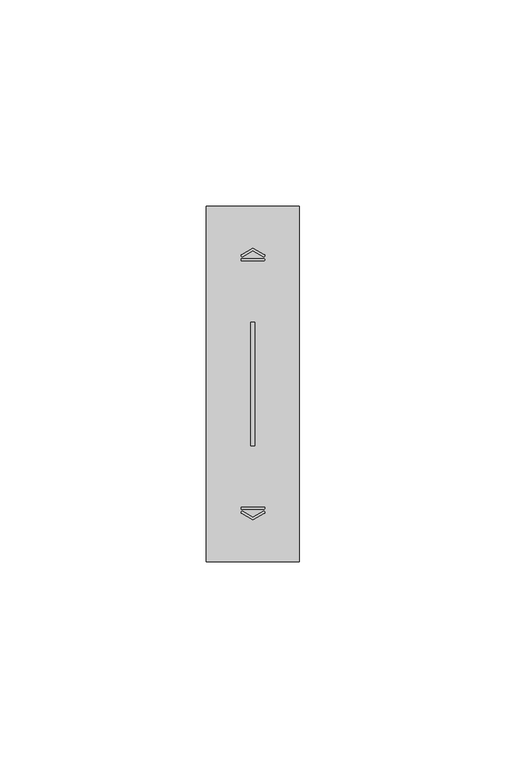
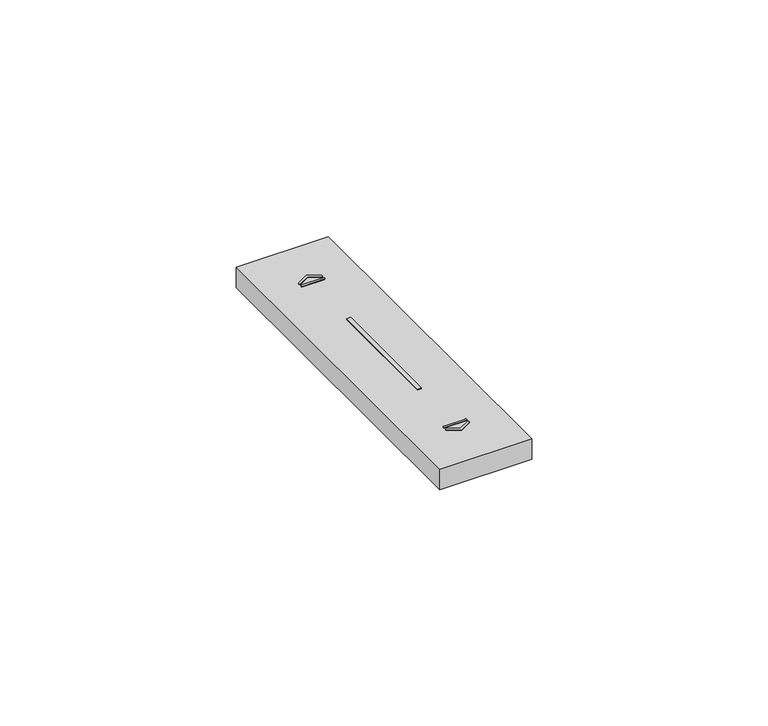
"""IFC4 building model written with IfcOpenShell, lengths in millimetres: proxy geometry."""

import ifcopenshell
import ifcopenshell.guid

model = None  # the IFC model being written
_history = None  # IfcOwnerHistory: only IFC2X3 demands one
_inside = {}  # id of a spatial element -> (the spatial element, [elements in it])
_under = {}  # id of a project, library or spatial element -> (it, [spatial elements below it])
_declared = {}  # id of a project -> (the project, [libraries it declares])
_typed = {}  # id of a type object -> (the type object, [elements of that type])
_made_of = {}  # id of a material, layer set ... -> (it, [elements and type objects made of it])


def new_model(schema):
    """Start an empty IFC model of exactly this schema.

    Asked for "IFC4X3", IfcOpenShell would pick the latest addendum, in which some entities
    have other attributes; the version numbers below select the first issue.
    IFC2X3 requires an IfcOwnerHistory on every rooted entity: one is made here for all.
    """
    global model, _history
    if schema == "IFC4X3":
        model = ifcopenshell.file(schema_version=(4, 3, 0, 0))
    else:
        model = ifcopenshell.file(schema=schema)
    _inside.clear()
    _under.clear()
    _declared.clear()
    _typed.clear()
    _made_of.clear()
    _history = None
    if model.schema == "IFC2X3":
        org = make("IfcOrganization", Name="unknown")
        user = make(
            "IfcPersonAndOrganization",
            ThePerson=make("IfcPerson", FamilyName="unknown"),
            TheOrganization=org,
        )
        app = make(
            "IfcApplication",
            ApplicationDeveloper=org,
            Version="unknown",
            ApplicationFullName="unknown",
            ApplicationIdentifier="unknown",
        )
        _history = make(
            "IfcOwnerHistory",
            OwningUser=user,
            OwningApplication=app,
            ChangeAction="ADDED",
            CreationDate=0,
        )
    return model


def make(cls, **values):
    """One entity of the class cls with the attributes given. An attribute that is None is left unset."""
    return model.create_entity(
        cls, **{name: value for name, value in values.items() if value is not None}
    )


def rooted(cls, **values):
    """An entity with a GlobalId (a new one), such as an element, a storey or a relation."""
    return make(cls, GlobalId=ifcopenshell.guid.new(), OwnerHistory=_history, **values)


def si_unit(unit_type, name, prefix=None):
    """IfcSIUnit, for example si_unit("LENGTHUNIT", "METRE", prefix="MILLI")."""
    return make("IfcSIUnit", UnitType=unit_type, Prefix=prefix, Name=name)


def assignment(units):
    """IfcUnitAssignment: the units of a project."""
    return None if units is None else make("IfcUnitAssignment", Units=units)


def point(xyz):
    """IfcCartesianPoint."""
    return None if xyz is None else make("IfcCartesianPoint", Coordinates=xyz)


def direction(xyz):
    """IfcDirection."""
    return None if xyz is None else make("IfcDirection", DirectionRatios=xyz)


def frame(location, z_axis=None, x_axis=None):
    """IfcAxis2Placement3D, a coordinate frame: its origin and axes. An axis left out is left unset."""
    return make(
        "IfcAxis2Placement3D",
        Location=point(location),
        Axis=direction(z_axis),
        RefDirection=direction(x_axis),
    )


def frame_2d(location, x_axis=None):
    """IfcAxis2Placement2D, a coordinate frame in the plane: its origin and x axis."""
    return make(
        "IfcAxis2Placement2D", Location=point(location), RefDirection=direction(x_axis)
    )


def origin():
    """The frame at (0, 0, 0) with its axes left unset."""
    return frame((0.0, 0.0, 0.0))


def place(relative_to, where):
    """IfcLocalPlacement: puts the frame where relative to a parent placement (None: the world)."""
    return make(
        "IfcLocalPlacement", PlacementRelTo=relative_to, RelativePlacement=where
    )


def context(
    kind, dimensions, precision=None, world=None, true_north=None, identifier=None
):
    """IfcGeometricRepresentationContext, for example the 3D "Model" context."""
    return make(
        "IfcGeometricRepresentationContext",
        ContextIdentifier=identifier,
        ContextType=kind,
        CoordinateSpaceDimension=dimensions,
        Precision=precision,
        WorldCoordinateSystem=world,
        TrueNorth=true_north,
    )


def project(units=None, contexts=None):
    """IfcProject with its units and contexts."""
    return rooted(
        "IfcProject",
        Name="project",
        RepresentationContexts=contexts,
        UnitsInContext=assignment(units),
    )


def spatial(cls, under=None, at=None, **own):
    """A site, building, storey or space (cls), placed at a placement, below another one or the project."""
    s = rooted(cls, ObjectPlacement=at, **own)
    if under is not None:
        _under.setdefault(under.id(), (under, []))[1].append(s)
    return s


def polyline(points):
    """IfcPolyline through the points."""
    return make("IfcPolyline", Points=[point(p) for p in points])


def circle_curve(where, radius):
    """IfcCircle in the frame where."""
    return make("IfcCircle", Position=where, Radius=radius)


def trimmed(basis, trim1, trim2, sense, master):
    """IfcTrimmedCurve: the piece of a basis curve between two trims."""
    return make(
        "IfcTrimmedCurve",
        BasisCurve=basis,
        Trim1=trim1,
        Trim2=trim2,
        SenseAgreement=sense,
        MasterRepresentation=master,
    )


def segment(curve, same_sense, transition):
    """IfcCompositeCurveSegment."""
    return make(
        "IfcCompositeCurveSegment",
        Transition=transition,
        SameSense=same_sense,
        ParentCurve=curve,
    )


def composite_curve(segments, self_intersect=None):
    """IfcCompositeCurve: segments joined end to end."""
    return make("IfcCompositeCurve", Segments=segments, SelfIntersect=self_intersect)


def outline(outer, holes=None, kind="AREA"):
    """IfcArbitraryClosedProfileDef: a profile drawn as a closed curve; with holes, ...WithVoids."""
    if holes is None:
        return make("IfcArbitraryClosedProfileDef", ProfileType=kind, OuterCurve=outer)
    return make(
        "IfcArbitraryProfileDefWithVoids",
        ProfileType=kind,
        OuterCurve=outer,
        InnerCurves=holes,
    )


def extrude(swept, where, along, depth):
    """IfcExtrudedAreaSolid: the profile swept, set in the frame where, extruded along a direction by depth."""
    return make(
        "IfcExtrudedAreaSolid",
        SweptArea=swept,
        Position=where,
        ExtrudedDirection=direction(along),
        Depth=depth,
    )


def shape(context_of_items, identifier, shape_type, items):
    """IfcShapeRepresentation: the items that make up one representation, for example the "Body"."""
    return make(
        "IfcShapeRepresentation",
        ContextOfItems=context_of_items,
        RepresentationIdentifier=identifier,
        RepresentationType=shape_type,
        Items=items,
    )


def source(mapping_origin, context_of_items, identifier, shape_type, items):
    """IfcRepresentationMap: a shape defined once, which mapped items show again and again."""
    return make(
        "IfcRepresentationMap",
        MappingOrigin=mapping_origin,
        MappedRepresentation=shape(context_of_items, identifier, shape_type, items),
    )


def transform(
    local_origin,
    x_axis=None,
    y_axis=None,
    z_axis=None,
    scale=None,
    scale2=None,
    scale3=None,
    uniform=True,
):
    """IfcCartesianTransformationOperator3D, or its non-uniform kind. x_axis, y_axis, z_axis: its Axis1, 2, 3."""
    if uniform:
        return make(
            "IfcCartesianTransformationOperator3D",
            Axis1=direction(x_axis),
            Axis2=direction(y_axis),
            LocalOrigin=point(local_origin),
            Scale=scale,
            Axis3=direction(z_axis),
        )
    return make(
        "IfcCartesianTransformationOperator3DnonUniform",
        Axis1=direction(x_axis),
        Axis2=direction(y_axis),
        LocalOrigin=point(local_origin),
        Scale=scale,
        Axis3=direction(z_axis),
        Scale2=scale2,
        Scale3=scale3,
    )


def mapped(mapping_source, mapping_target):
    """IfcMappedItem: shows the shape of a source again, moved by a transform."""
    return make(
        "IfcMappedItem", MappingSource=mapping_source, MappingTarget=mapping_target
    )


def made_of(thing, what):
    """Note that an element or type object is made of a material, layer set ...; save() writes the relation."""
    if what is not None:
        _made_of.setdefault(what.id(), (what, []))[1].append(thing)
    return thing


def element(
    cls,
    number,
    at=None,
    inside=None,
    cuts=None,
    type_object=None,
    material=None,
    context=None,
    identifier="Body",
    shape_type=None,
    held_by="IfcProductDefinitionShape",
    body=None,
    shapes=None,
    **own,
):
    """One element of the class cls, such as IfcWall. Its Tag is "e" and its number.

    at: its placement. inside: the storey or other place that contains it. cuts: it is an
    opening in that element (IfcRelVoidsElement). A single representation is given by context,
    identifier, shape_type and body (its items); several are given by shapes. held_by: the class
    of the entity that holds the representations. save() writes the other relations.
    """
    e = rooted(cls, Tag="e%d" % number, ObjectPlacement=at, **own)
    if body is not None:
        shapes = [shape(context, identifier, shape_type, body)]
    if shapes is not None:
        e.Representation = make(held_by, Representations=shapes)
    if inside is not None:
        _inside.setdefault(inside.id(), (inside, []))[1].append(e)
    if cuts is not None:
        rooted(
            "IfcRelVoidsElement", RelatingBuildingElement=cuts, RelatedOpeningElement=e
        )
    if type_object is not None:
        _typed.setdefault(type_object.id(), (type_object, []))[1].append(e)
    return made_of(e, material)


def aggregate(whole, parts):
    """IfcRelAggregates: a whole, such as a stair, and the parts it consists of."""
    return rooted("IfcRelAggregates", RelatingObject=whole, RelatedObjects=parts)


def save(model, path):
    """Write the relations noted so far, then the file.

    IfcRelAggregates (storeys below a building ...), IfcRelContainedInSpatialStructure (elements
    in a storey), IfcRelDefinesByType, IfcRelAssociatesMaterial and IfcRelDeclares: one each for
    every whole, place, type object, material and project.
    """
    for whole, parts in _under.values():
        aggregate(whole, parts)
    for where, things in _inside.values():
        rooted(
            "IfcRelContainedInSpatialStructure",
            RelatedElements=things,
            RelatingStructure=where,
        )
    for kind, things in _typed.values():
        rooted("IfcRelDefinesByType", RelatedObjects=things, RelatingType=kind)
    for what, things in _made_of.values():
        rooted("IfcRelAssociatesMaterial", RelatedObjects=things, RelatingMaterial=what)
    for by, libraries in _declared.values():
        rooted("IfcRelDeclares", RelatingContext=by, RelatedDefinitions=libraries)
    model.write(path)


def electrical_fixtures_892ce21b(model_context):
    return source(origin(), model_context, "Body", "SweptSolid", [
        extrude(outline(composite_curve([segment(polyline([(8.5092079, 74.3175033), (11.25, 75.8674578), (13.9907962, 74.3175011)]), True, "CONTINUOUS"), segment(trimmed(circle_curve(frame_2d((13.858088, 74.0828325)), 0.2695938), [point((13.9907962, 74.3175011))], [point((13.7253797, 73.8481639))], False, "CARTESIAN"), True, "CONTINUOUS"), segment(polyline([(13.7253797, 73.8481639), (11.25, 75.2480241), (8.7746243, 73.8481662)]), True, "CONTINUOUS"), segment(trimmed(circle_curve(frame_2d((8.6419161, 74.0828348)), 0.2695938), [point((8.7746243, 73.8481662))], [point((8.5092079, 74.3175033))], False, "CARTESIAN"), True, "CONTINUOUS")], self_intersect=False)), frame((0.0, 0.0, 10.7), z_axis=(0.0, 0.0, 1.0), x_axis=(1.0, 0.0, 0.0)), (0.0, 0.0, 1.0), 0.1652311),
        extrude(outline(composite_curve([segment(polyline([(8.6216743, 73.3261218), (13.8783298, 73.3261218)]), True, "CONTINUOUS"), segment(trimmed(circle_curve(frame_2d((13.8783298, 73.0767698)), 0.249352), [point((13.8783298, 73.3261218))], [point((13.8783298, 72.8274179))], False, "CARTESIAN"), True, "CONTINUOUS"), segment(polyline([(13.8783298, 72.8274179), (8.6216743, 72.8274179)]), True, "CONTINUOUS"), segment(trimmed(circle_curve(frame_2d((8.6216743, 73.0767698)), 0.249352), [point((8.6216743, 72.8274179))], [point((8.6216743, 73.3261218))], False, "CARTESIAN"), True, "CONTINUOUS")], self_intersect=False)), frame((0.0, 0.0, 10.7), z_axis=(0.0, 0.0, 1.0), x_axis=(1.0, 0.0, 0.0)), (0.0, 0.0, 1.0), 0.1652311),
        extrude(outline(composite_curve([segment(trimmed(circle_curve(frame_2d((8.6419161, 11.9171652)), 0.2695938), [point((8.5092079, 11.6824967))], [point((8.7746243, 12.1518338))], False, "CARTESIAN"), True, "CONTINUOUS"), segment(polyline([(8.7746243, 12.1518338), (11.25, 10.7519759), (13.7253797, 12.1518361)]), True, "CONTINUOUS"), segment(trimmed(circle_curve(frame_2d((13.858088, 11.9171675)), 0.2695938), [point((13.7253797, 12.1518361))], [point((13.9907962, 11.6824989))], False, "CARTESIAN"), True, "CONTINUOUS"), segment(polyline([(13.9907962, 11.6824989), (11.25, 10.1325422), (8.5092079, 11.6824967)]), True, "CONTINUOUS")], self_intersect=False)), frame((0.0, 0.0, 10.7), z_axis=(0.0, 0.0, 1.0), x_axis=(1.0, 0.0, 0.0)), (0.0, 0.0, 1.0), 0.1652311),
        extrude(outline(composite_curve([segment(trimmed(circle_curve(frame_2d((8.6216743, 12.9232302)), 0.249352), [point((8.6216743, 12.6738782))], [point((8.6216743, 13.1725821))], False, "CARTESIAN"), True, "CONTINUOUS"), segment(polyline([(8.6216743, 13.1725821), (13.8783298, 13.1725821)]), True, "CONTINUOUS"), segment(trimmed(circle_curve(frame_2d((13.8783298, 12.9232302)), 0.249352), [point((13.8783298, 13.1725821))], [point((13.8783298, 12.6738782))], False, "CARTESIAN"), True, "CONTINUOUS"), segment(polyline([(13.8783298, 12.6738782), (8.6216743, 12.6738782)]), True, "CONTINUOUS")], self_intersect=False)), frame((0.0, 0.0, 10.7), z_axis=(0.0, 0.0, 1.0), x_axis=(1.0, 0.0, 0.0)), (0.0, 0.0, 1.0), 0.1652311),
        extrude(outline(polyline([(10.75, 58.0), (11.75, 58.0), (11.75, 28.0), (10.75, 28.0), (10.75, 58.0)])), frame((0.0, 0.0, 5.5), z_axis=(0.0, 0.0, 1.0), x_axis=(1.0, 0.0, 0.0)), (0.0, 0.0, 1.0), 5.2),
        extrude(outline(polyline([(0.0, 0.0), (0.0, 86.0), (22.5, 86.0), (22.5, 0.0), (0.0, 0.0)]), holes=[polyline([(10.75, 58.0), (10.75, 28.0), (11.75, 28.0), (11.75, 58.0), (10.75, 58.0)])]), frame((0.0, 0.0, 5.5), z_axis=(0.0, 0.0, 1.0), x_axis=(1.0, 0.0, 0.0)), (0.0, 0.0, 1.0), 5.2),
    ])


if __name__ == "__main__":
    model = new_model("IFC4")
    model_context = context("Model", 3, world=origin())
    ifc_project = project(units=[si_unit("LENGTHUNIT", "METRE", prefix="MILLI")], contexts=[model_context])
    site = spatial("IfcSite", under=ifc_project)
    building = spatial("IfcBuilding", under=site)
    placement = place(None, origin())
    electrical_fixtures_shape = electrical_fixtures_892ce21b(model_context)
    element("IfcBuildingElementProxy", 1, Name="Electrical Fixtures", at=placement, inside=building, context=model_context, shape_type="MappedRepresentation", body=[
        mapped(electrical_fixtures_shape, transform((0.0, 0.0, 0.0), x_axis=(1.0, 0.0, 0.0), y_axis=(0.0, 1.0, 0.0), z_axis=(0.0, 0.0, 1.0))),
    ])
    save(model, "model.ifc")
